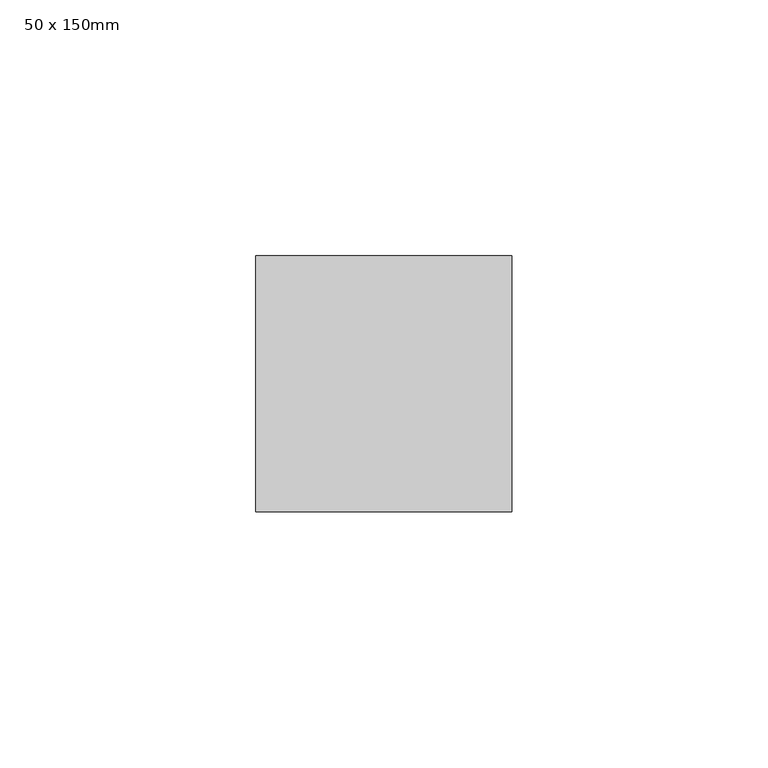
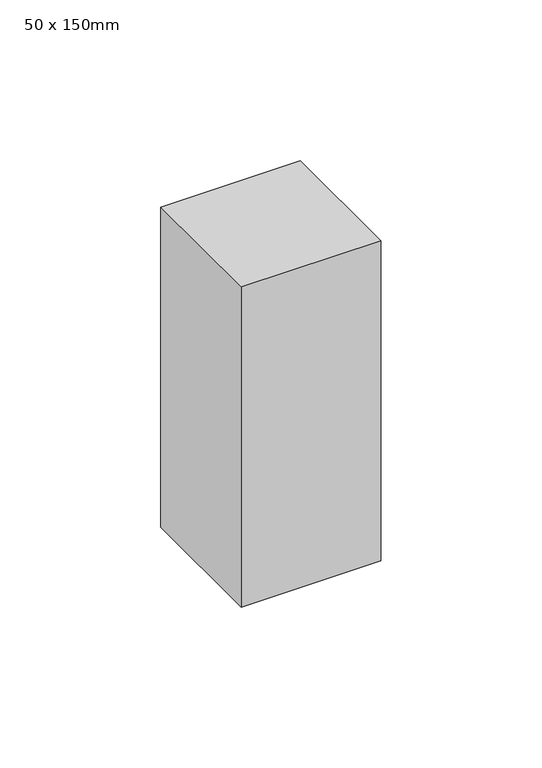
"""IFC4 building model written with IfcOpenShell, lengths in millimetres: member geometry, 50 x 150mm."""

from ifc_helpers import new_model, si_unit, frame, origin, place, context, project, spatial, polyline, outline, extrude, source, transform, mapped, element, save


def member_50_x_150mm_5230f643(model_context):
    return source(origin(), model_context, "Body", "SweptSolid", [
        extrude(outline(polyline([(25.0, 25.0), (25.0, -25.0), (-25.0, -25.0), (-25.0, 25.0), (25.0, 25.0)])), frame((0.0, 0.0, -121.4629167), z_axis=(0.0, 0.0, 1.0), x_axis=(1.0, 0.0, 0.0)), (0.0, 0.0, 1.0), 121.4629167),
    ])


if __name__ == "__main__":
    model = new_model("IFC4")
    model_context = context("Model", 3, world=origin())
    ifc_project = project(units=[si_unit("LENGTHUNIT", "METRE", prefix="MILLI")], contexts=[model_context])
    site = spatial("IfcSite", under=ifc_project)
    building = spatial("IfcBuilding", under=site)
    placement = place(None, origin())
    member_50_x_150mm_shape = member_50_x_150mm_5230f643(model_context)
    element("IfcMember", 1, ObjectType="50 x 150mm", at=placement, inside=building, context=model_context, shape_type="MappedRepresentation", body=[
        mapped(member_50_x_150mm_shape, transform((0.0, 0.0, 0.0), x_axis=(1.0, 0.0, 0.0), y_axis=(0.0, 1.0, 0.0), z_axis=(0.0, 0.0, 1.0))),
    ])
    save(model, "model.ifc")
